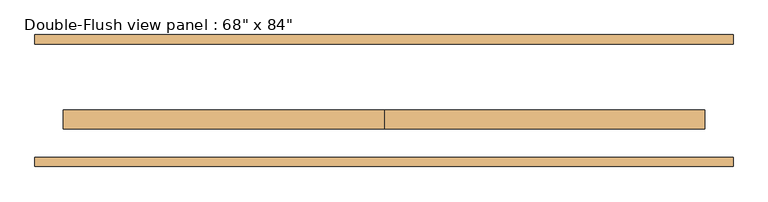
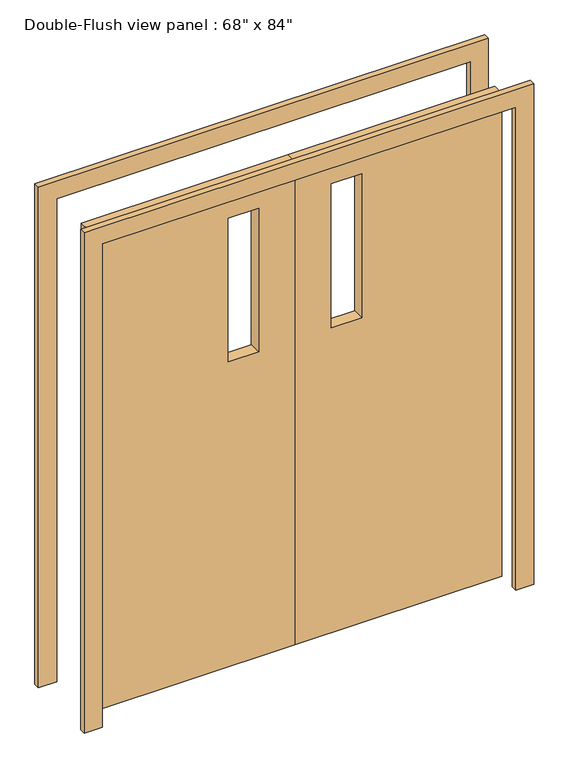
"""IFC4 building model written with IfcOpenShell, lengths in millimetres: door geometry."""

from ifc_helpers import new_model, si_unit, frame, origin, place, context, project, spatial, polyline, outline, extrude, source, transform, mapped, element, save


def door_e25dc18a(model_context):
    return source(origin(), model_context, "Body", "SweptSolid", [
        extrude(outline(polyline([(2133.6, 0.0), (2133.6, -863.6), (0.0, -863.6), (0.0, 0.0), (2133.6, 0.0)]), holes=[polyline([(1981.2, -279.4), (1981.2, -152.4), (1346.2, -152.4), (1346.2, -279.4), (1981.2, -279.4)])]), frame((0.0, -76.2, 0.0), z_axis=(0.0, 1.0, 0.0), x_axis=(0.0, 0.0, 1.0)), (0.0, 0.0, 1.0), 50.8),
        extrude(outline(polyline([(2133.6, 0.0), (0.0, 0.0), (0.0, 863.6), (2133.6, 863.6), (2133.6, 0.0)]), holes=[polyline([(1981.2, 279.4), (1346.2, 279.4), (1346.2, 152.4), (1981.2, 152.4), (1981.2, 279.4)])]), frame((0.0, -76.2, 0.0), z_axis=(0.0, 1.0, 0.0), x_axis=(0.0, 0.0, 1.0)), (0.0, 0.0, 1.0), 50.8),
        extrude(outline(polyline([(2133.6, -863.6), (2133.6, 863.6), (0.0, 863.6), (0.0, 939.8), (2209.8, 939.8), (2209.8, -939.8), (0.0, -939.8), (0.0, -863.6), (2133.6, -863.6)])), frame((0.0, 152.4, 0.0), z_axis=(0.0, 1.0, 0.0), x_axis=(0.0, 0.0, 1.0)), (0.0, 0.0, 1.0), 25.4),
        extrude(outline(polyline([(2133.6, -863.6), (2133.6, 863.6), (0.0, 863.6), (0.0, 939.8), (2209.8, 939.8), (2209.8, -939.8), (0.0, -939.8), (0.0, -863.6), (2133.6, -863.6)])), frame((0.0, -177.8, 0.0), z_axis=(0.0, 1.0, 0.0), x_axis=(0.0, 0.0, 1.0)), (0.0, 0.0, 1.0), 25.4),
    ])


if __name__ == "__main__":
    model = new_model("IFC4")
    model_context = context("Model", 3, world=origin())
    ifc_project = project(units=[si_unit("LENGTHUNIT", "METRE", prefix="MILLI")], contexts=[model_context])
    site = spatial("IfcSite", under=ifc_project)
    building = spatial("IfcBuilding", under=site)
    placement = place(None, origin())
    door_shape = door_e25dc18a(model_context)
    element("IfcDoor", 1, ObjectType="Double-Flush view panel : 68\" x 84\"", at=placement, inside=building, context=model_context, shape_type="MappedRepresentation", body=[
        mapped(door_shape, transform((0.0, 0.0, 0.0), x_axis=(1.0, 0.0, 0.0), y_axis=(0.0, 1.0, 0.0), z_axis=(0.0, 0.0, 1.0))),
    ])
    save(model, "model.ifc")
